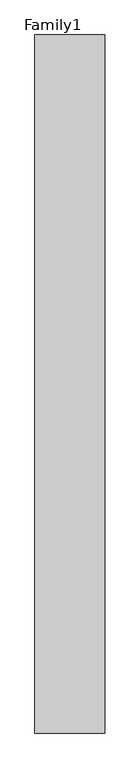
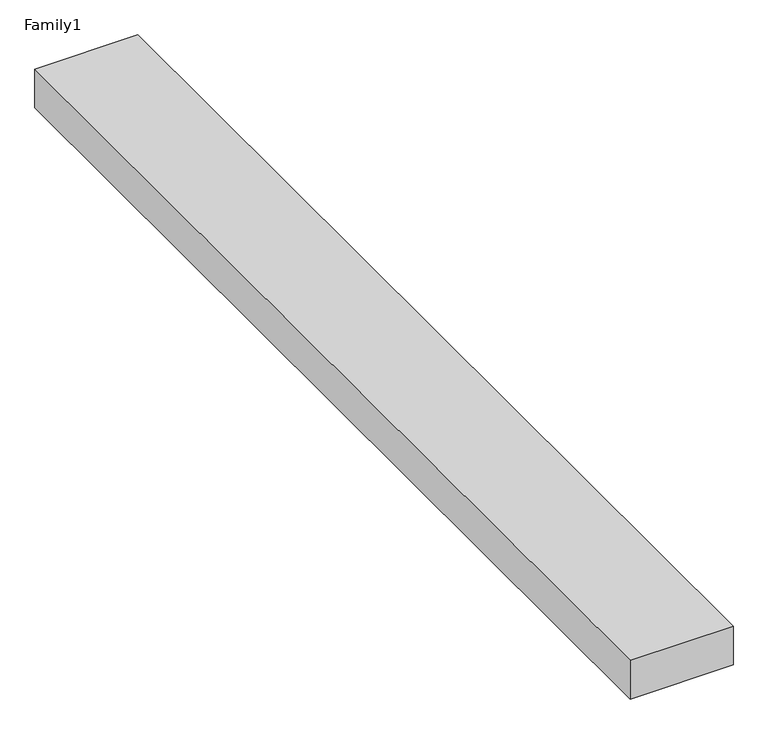
"""IFC4 building model written with IfcOpenShell, lengths in millimetres: proxy geometry, Family1."""

from ifc_helpers import new_model, si_unit, origin, origin_with_axes, place, context, project, spatial, polyline, outline, extrude, source, transform, mapped, element, save


def family1_d1504e4c(model_context):
    return source(origin(), model_context, "Body", "SweptSolid", [
        extrude(outline(polyline([(5000.0, 0.0), (0.0, 0.0), (0.0, 50000.0), (5000.0, 50000.0), (5000.0, 0.0)])), origin_with_axes(), (0.0, 0.0, 1.0), 1987.0),
    ])


if __name__ == "__main__":
    model = new_model("IFC4")
    model_context = context("Model", 3, world=origin())
    ifc_project = project(units=[si_unit("LENGTHUNIT", "METRE", prefix="MILLI")], contexts=[model_context])
    site = spatial("IfcSite", under=ifc_project)
    building = spatial("IfcBuilding", under=site)
    placement = place(None, origin())
    family1_shape = family1_d1504e4c(model_context)
    element("IfcBuildingElementProxy", 1, Name="Family1", ObjectType="Family1", at=placement, inside=building, context=model_context, shape_type="MappedRepresentation", body=[
        mapped(family1_shape, transform((0.0, 0.0, 0.0), x_axis=(1.0, 0.0, 0.0), y_axis=(0.0, 1.0, 0.0), z_axis=(0.0, 0.0, 1.0))),
    ])
    save(model, "model.ifc")
